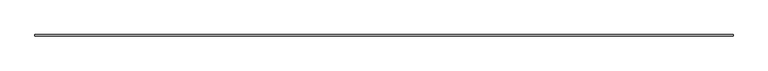
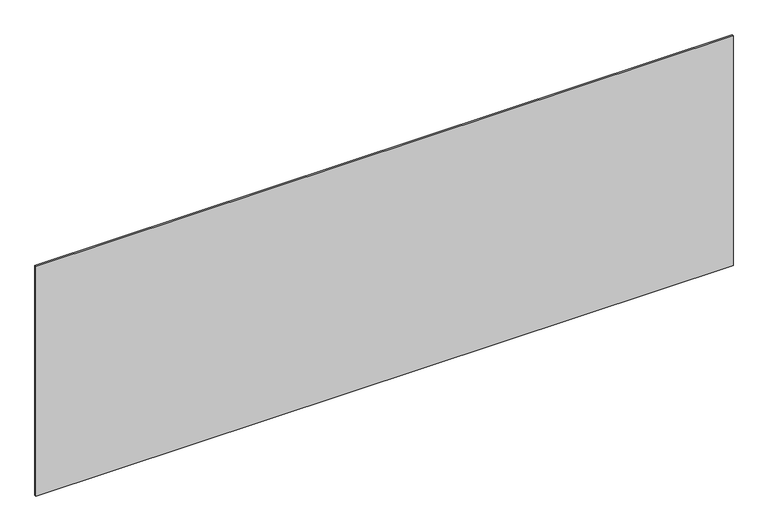
"""IFC4 building model written with IfcOpenShell, lengths in millimetres: plate geometry."""

from ifc_helpers import new_model, si_unit, frame, origin, place, context, project, spatial, polyline, outline, extrude, source, transform, mapped, element, save


def plate_27438a0d(model_context):
    return source(origin(), model_context, "Body", "SweptSolid", [
        extrude(outline(polyline([(0.0, -2206.6666667), (0.0, 2206.6666667), (1537.9452237, 2206.6666667), (1537.9452237, -2206.6666667), (1525.115481, -2206.6666667), (0.0, -2206.6666667)])), frame((0.0, -5.0, 0.0), z_axis=(0.0, 1.0, 0.0), x_axis=(0.0, 0.0, 1.0)), (0.0, 0.0, 1.0), 10.0),
    ])


if __name__ == "__main__":
    model = new_model("IFC4")
    model_context = context("Model", 3, world=origin())
    ifc_project = project(units=[si_unit("LENGTHUNIT", "METRE", prefix="MILLI")], contexts=[model_context])
    site = spatial("IfcSite", under=ifc_project)
    building = spatial("IfcBuilding", under=site)
    placement = place(None, origin())
    plate_shape = plate_27438a0d(model_context)
    element("IfcPlate", 1, at=placement, inside=building, context=model_context, shape_type="MappedRepresentation", body=[
        mapped(plate_shape, transform((0.0, 0.0, 0.0), x_axis=(1.0, 0.0, 0.0), y_axis=(0.0, 1.0, 0.0), z_axis=(0.0, 0.0, 1.0))),
    ])
    save(model, "model.ifc")
